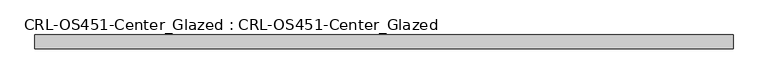
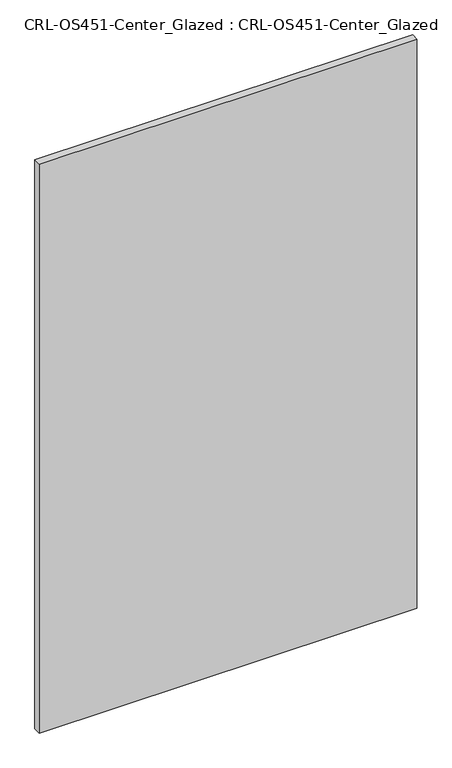
"""IFC4 building model written with IfcOpenShell, lengths in millimetres: plate geometry, CRL-OS451-Center_Glazed : CRL-OS451-Center_Glazed."""

from ifc_helpers import new_model, si_unit, origin, origin_with_axes, place, context, project, spatial, polyline, outline, extrude, source, transform, mapped, element, save


def crl_os451_center_glazed_crl_os451_center_glazed_a4465447(model_context):
    return source(origin(), model_context, "Body", "SweptSolid", [
        extrude(outline(polyline([(-638.7041666, 12.709956), (638.7041666, 12.709956), (638.7041666, -12.709956), (-638.7041666, -12.709956), (-638.7041666, 12.709956)])), origin_with_axes(), (0.0, 0.0, 1.0), 2033.8986269),
    ])


if __name__ == "__main__":
    model = new_model("IFC4")
    model_context = context("Model", 3, world=origin())
    ifc_project = project(units=[si_unit("LENGTHUNIT", "METRE", prefix="MILLI")], contexts=[model_context])
    site = spatial("IfcSite", under=ifc_project)
    building = spatial("IfcBuilding", under=site)
    placement = place(None, origin())
    crl_os451_center_glazed_crl_os451_center_glazed_shape = crl_os451_center_glazed_crl_os451_center_glazed_a4465447(model_context)
    element("IfcPlate", 1, ObjectType="CRL-OS451-Center_Glazed : CRL-OS451-Center_Glazed", at=placement, inside=building, context=model_context, shape_type="MappedRepresentation", body=[
        mapped(crl_os451_center_glazed_crl_os451_center_glazed_shape, transform((0.0, 0.0, 0.0), x_axis=(1.0, 0.0, 0.0), y_axis=(0.0, 1.0, 0.0), z_axis=(0.0, 0.0, 1.0))),
    ])
    save(model, "model.ifc")
